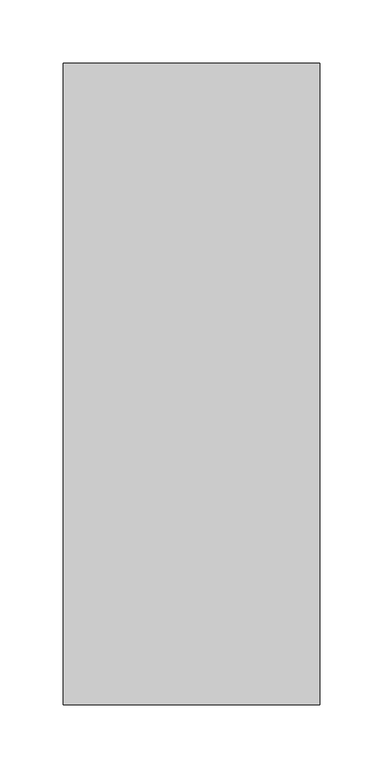
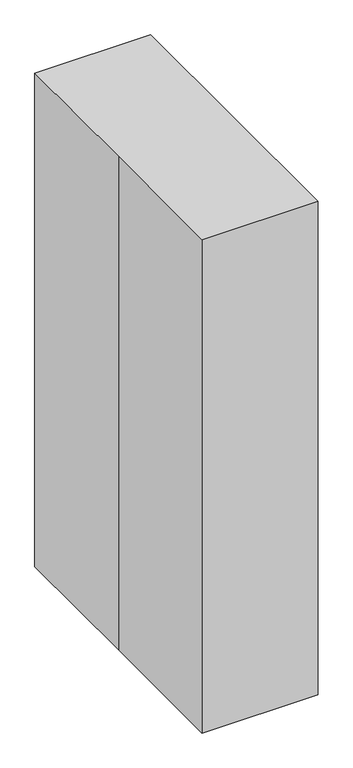
"""IFC4 building model written with IfcOpenShell, lengths in millimetres: proxy geometry."""

from ifc_helpers import new_model, si_unit, point, frame, frame_2d, origin, origin_with_axes, origin_2d, place, context, project, spatial, polyline, circle_curve, trimmed, segment, composite_curve, outline, extrude, source, transform, mapped, element, save


def specialty_equipment_cf81bb52(model_context):
    return source(origin(), model_context, "Body", "SweptSolid", [
        extrude(outline(composite_curve([segment(trimmed(circle_curve(frame_2d((0.0, 400.05)), 19.05), [point((-19.05, 400.05))], [point((19.05, 400.05))], False, "CARTESIAN"), True, "CONTINUOUS"), segment(trimmed(circle_curve(frame_2d((0.0, 400.05)), 19.05), [point((19.05, 400.05))], [point((-19.05, 400.05))], False, "CARTESIAN"), True, "CONTINUOUS")], self_intersect=False)), frame((26.9875, 0.0, 0.0), z_axis=(1.0, 0.0, 0.0), x_axis=(0.0, 1.0, 0.0)), (0.0, 0.0, 1.0), 25.4),
        extrude(outline(composite_curve([segment(trimmed(circle_curve(frame_2d((50.8, 39.6875)), 19.05), [point((50.8, 20.6375))], [point((50.8, 58.7375))], False, "CARTESIAN"), True, "CONTINUOUS"), segment(trimmed(circle_curve(frame_2d((50.8, 39.6875)), 19.05), [point((50.8, 58.7375))], [point((50.8, 20.6375))], False, "CARTESIAN"), True, "CONTINUOUS")], self_intersect=False)), frame((0.0, -25.4, 0.0), z_axis=(0.0, 1.0, 0.0), x_axis=(0.0, 0.0, 1.0)), (0.0, 0.0, 1.0), 50.8),
        extrude(outline(composite_curve([segment(trimmed(circle_curve(frame_2d((39.6875, 0.0)), 6.35), [point((33.3375, 0.0))], [point((46.0375, 0.0))], False, "CARTESIAN"), True, "CONTINUOUS"), segment(trimmed(circle_curve(frame_2d((39.6875, 0.0)), 6.35), [point((46.0375, 0.0))], [point((33.3375, 0.0))], False, "CARTESIAN"), True, "CONTINUOUS")], self_intersect=False)), frame((0.0, 0.0, 50.8), z_axis=(0.0, 0.0, 1.0), x_axis=(1.0, 0.0, 0.0)), (0.0, 0.0, 1.0), 349.25),
        extrude(outline(composite_curve([segment(trimmed(circle_curve(origin_2d(), 31.75), [point((-31.75, 0.0))], [point((31.75, 0.0))], False, "CARTESIAN"), True, "CONTINUOUS"), segment(trimmed(circle_curve(origin_2d(), 31.75), [point((31.75, 0.0))], [point((-31.75, 0.0))], False, "CARTESIAN"), True, "CONTINUOUS")], self_intersect=False), holes=[composite_curve([segment(trimmed(circle_curve(origin_2d(), 25.4), [point((-25.4, 0.0))], [point((25.4, 0.0))], True, "CARTESIAN"), True, "CONTINUOUS"), segment(trimmed(circle_curve(origin_2d(), 25.4), [point((25.4, 0.0))], [point((-25.4, 0.0))], True, "CARTESIAN"), True, "CONTINUOUS")], self_intersect=False)]), frame((0.0, 0.0, 25.4), z_axis=(0.0, 0.0, 1.0), x_axis=(1.0, 0.0, 0.0)), (0.0, 0.0, 1.0), 50.8),
        extrude(outline(polyline([(-101.6, 254.0), (101.6, 254.0), (101.6, -254.0), (-101.6, -254.0), (-101.6, 0.0), (-101.6, 254.0)])), origin_with_axes(), (0.0, 0.0, 1.0), 914.4),
    ])


if __name__ == "__main__":
    model = new_model("IFC4")
    model_context = context("Model", 3, world=origin())
    ifc_project = project(units=[si_unit("LENGTHUNIT", "METRE", prefix="MILLI")], contexts=[model_context])
    site = spatial("IfcSite", under=ifc_project)
    building = spatial("IfcBuilding", under=site)
    placement = place(None, origin())
    specialty_equipment_shape = specialty_equipment_cf81bb52(model_context)
    element("IfcBuildingElementProxy", 1, Name="Specialty Equipment", at=placement, inside=building, context=model_context, shape_type="MappedRepresentation", body=[
        mapped(specialty_equipment_shape, transform((0.0, 0.0, 0.0), x_axis=(1.0, 0.0, 0.0), y_axis=(0.0, 1.0, 0.0), z_axis=(0.0, 0.0, 1.0))),
    ])
    save(model, "model.ifc")
